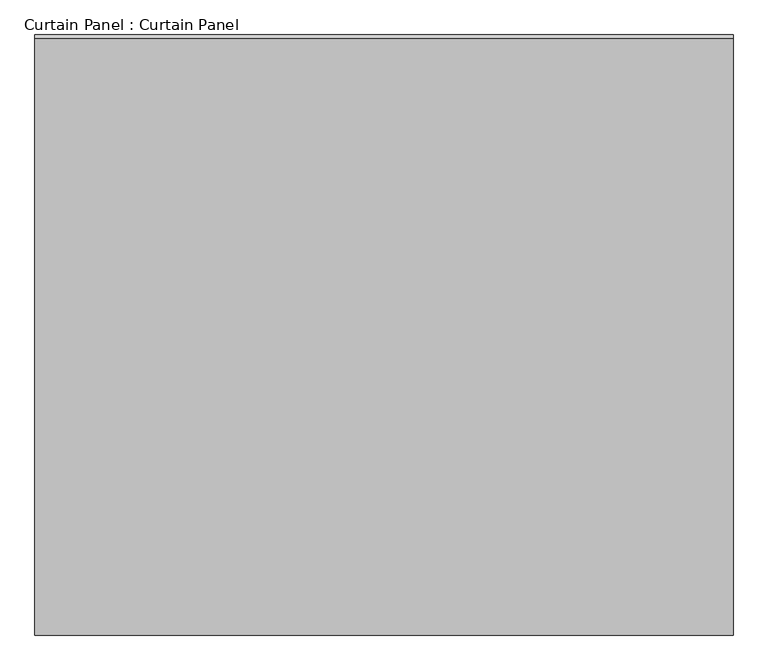
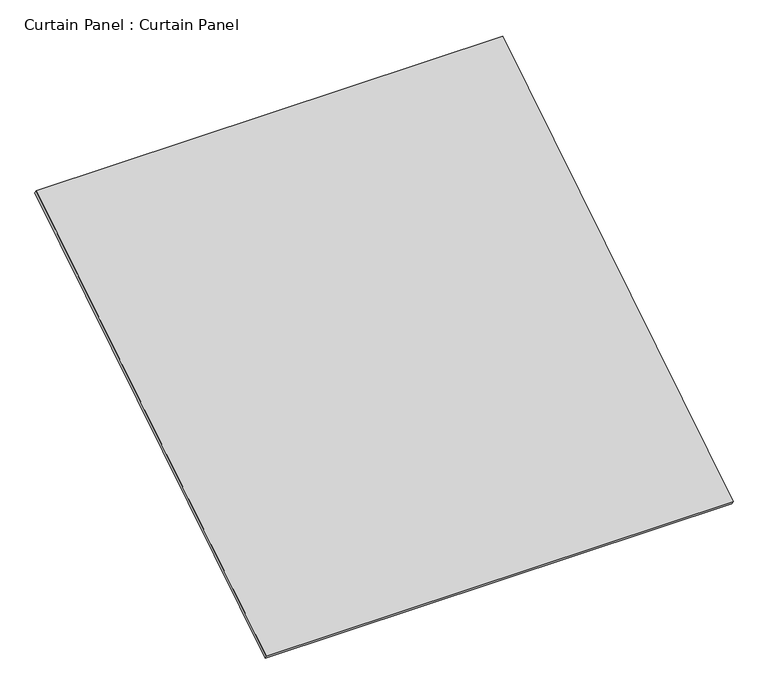
"""IFC4 building model written with IfcOpenShell, lengths in millimetres: plate geometry, Curtain Panel : Curtain Panel."""

from ifc_helpers import new_model, si_unit, frame, origin, place, context, project, spatial, polyline, outline, extrude, source, transform, mapped, element, save


def curtain_panel_curtain_panel_c7cf806e(model_context):
    return source(origin(), model_context, "Body", "SweptSolid", [
        extrude(outline(polyline([(-63.5, 0.0), (-63.5, -3013.075), (-3048.0, -3013.075), (-3048.0, 0.0), (-63.5, 0.0)])), frame((-126814.6430895, -3925.8916967, 7181.9913829), z_axis=(0.0, -0.5318918435658209, 0.8468122972348432), x_axis=(-1.0, 0.0, 0.0)), (0.0, 0.0, 1.0), 25.4),
    ])


if __name__ == "__main__":
    model = new_model("IFC4")
    model_context = context("Model", 3, world=origin())
    ifc_project = project(units=[si_unit("LENGTHUNIT", "METRE", prefix="MILLI")], contexts=[model_context])
    site = spatial("IfcSite", under=ifc_project)
    building = spatial("IfcBuilding", under=site)
    placement = place(None, origin())
    curtain_panel_curtain_panel_shape = curtain_panel_curtain_panel_c7cf806e(model_context)
    element("IfcPlate", 1, ObjectType="Curtain Panel : Curtain Panel", at=placement, inside=building, context=model_context, shape_type="MappedRepresentation", body=[
        mapped(curtain_panel_curtain_panel_shape, transform((0.0, 0.0, 0.0), x_axis=(1.0, 0.0, 0.0), y_axis=(0.0, 1.0, 0.0), z_axis=(0.0, 0.0, 1.0))),
    ])
    save(model, "model.ifc")
